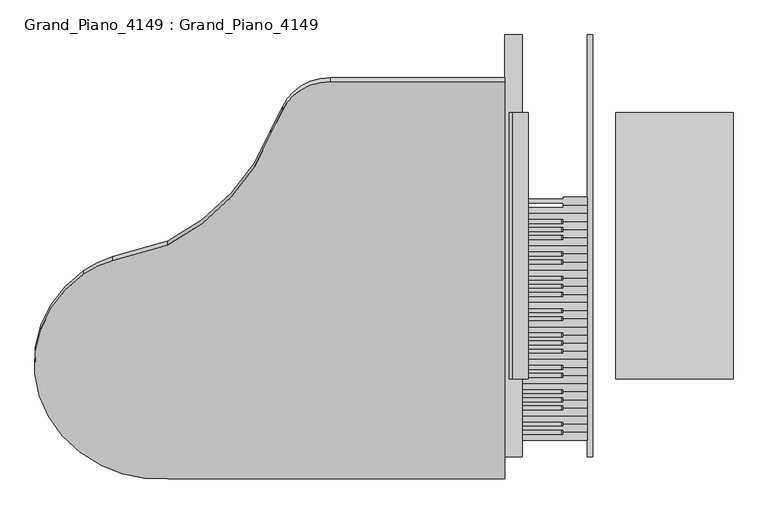
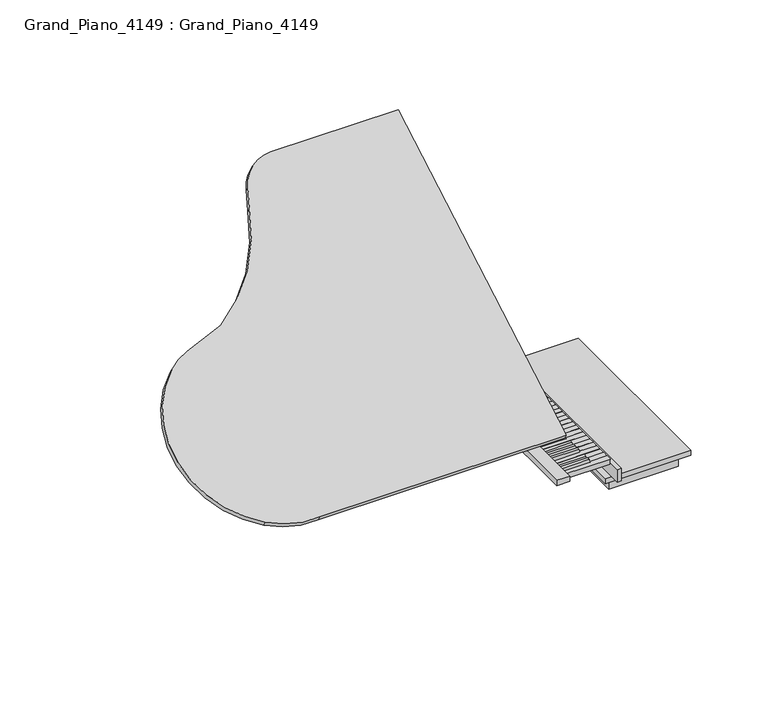
"""IFC4 building model written with IfcOpenShell, lengths in millimetres: proxy geometry, Grand_Piano_4149 : Grand_Piano_4149."""

from ifc_helpers import new_model, si_unit, point, frame, frame_2d, origin, place, context, project, spatial, polyline, circle_curve, trimmed, segment, composite_curve, outline, extrude, faceted_brep, source, transform, mapped, element, save


def grand_piano_4149_grand_piano_4149_3b8c50ab(model_context):
    return source(origin(), model_context, "Body", "SolidModel", [
        faceted_brep([(1813.5377179, 947.0963982, 740.9280142), (1673.9293037, 947.0963982, 740.9280142), (1673.9293037, 933.9689941, 740.9280142), (1813.5377179, 933.9689941, 740.9280142), (1813.5377179, 927.008417, 740.9280142), (1895.7364663, 927.008417, 740.9280142), (1896.667768, 927.9397187, 740.9280142), (1896.667768, 953.1256736, 740.9280142), (1895.7364663, 954.0569753, 740.9280142), (1813.5377179, 954.0569753, 740.9280142), (1813.5377179, 947.0963982, 715.5280142), (1813.5377179, 954.0569753, 715.5280142), (1893.9209225, 954.0569753, 715.5280142), (1893.9209225, 927.008417, 715.5280142), (1813.5377179, 927.008417, 715.5280142), (1813.5377179, 933.9689941, 715.5280142), (1673.9293037, 933.9689941, 715.5280142), (1673.9293037, 947.0963982, 715.5280142), (1893.9209225, 927.008417, 739.0575896), (1895.7364663, 927.008417, 739.0575896), (1896.667768, 927.9397187, 739.0575896), (1896.667768, 953.1256736, 739.0575896), (1895.7364663, 954.0569753, 739.0575896), (1893.9209225, 954.0569753, 739.0575896)], [[[0, 1, 2, 3, 4, 5, 6, 7, 8, 9]], [[10, 11, 12, 13, 14, 15, 16, 17]], [[1, 0, 10, 17]], [[2, 1, 17, 16]], [[3, 2, 16, 15]], [[4, 3, 15, 14]], [[5, 4, 14, 13, 18, 19]], [[6, 5, 19, 20]], [[7, 6, 20, 21]], [[8, 7, 21, 22]], [[9, 8, 22, 23, 12, 11]], [[0, 9, 11, 10]], [[23, 18, 13, 12]], [[18, 23, 22, 21, 20, 19]]]),
        faceted_brep([(1895.7364663, 899.1661086, 740.9280142), (1896.667768, 900.0974103, 740.9280142), (1896.667768, 925.2833653, 740.9280142), (1895.7364663, 926.214667, 740.9280142), (1813.5377179, 926.214667, 740.9280142), (1813.5377179, 919.2540899, 740.9280142), (1673.9293037, 919.2540899, 740.9280142), (1673.9293037, 899.1661086, 740.9280142), (1673.9293037, 899.1661086, 715.5280142), (1673.9293037, 919.2540899, 715.5280142), (1813.5377179, 919.2540899, 715.5280142), (1813.5377179, 926.214667, 715.5280142), (1893.9209225, 926.214667, 715.5280142), (1893.9209225, 899.1661086, 715.5280142), (1895.7364663, 899.1661086, 739.0575896), (1896.667768, 900.0974103, 739.0575896), (1896.667768, 925.2833653, 739.0575896), (1895.7364663, 926.214667, 739.0575896), (1893.9209225, 926.214667, 739.0575896), (1893.9209225, 899.1661086, 739.0575896)], [[[0, 1, 2, 3, 4, 5, 6, 7]], [[8, 9, 10, 11, 12, 13]], [[1, 0, 14, 15]], [[2, 1, 15, 16]], [[3, 2, 16, 17]], [[4, 3, 17, 18, 12, 11]], [[5, 4, 11, 10]], [[6, 5, 10, 9]], [[7, 6, 9, 8]], [[0, 7, 8, 13, 19, 14]], [[18, 19, 13, 12]], [[19, 18, 17, 16, 15, 14]]]),
        faceted_brep([(1895.7364663, 898.3723586, 740.9280142), (1673.9293037, 898.3723586, 740.9280142), (1673.9293037, 878.2843773, 740.9280142), (1813.5377179, 878.2843773, 740.9280142), (1813.5377179, 871.3238002, 740.9280142), (1895.7364663, 871.3238002, 740.9280142), (1896.667768, 872.2551019, 740.9280142), (1896.667768, 897.4410569, 740.9280142), (1813.5377179, 871.3238002, 715.5280142), (1813.5377179, 878.2843773, 715.5280142), (1673.9293037, 878.2843773, 715.5280142), (1673.9293037, 898.3723586, 715.5280142), (1893.9209225, 898.3723586, 715.5280142), (1893.9209225, 871.3238002, 715.5280142), (1895.7364663, 898.3723586, 739.0575896), (1893.9209225, 898.3723586, 739.0575896), (1893.9209225, 871.3238002, 739.0575896), (1895.7364663, 871.3238002, 739.0575896), (1896.667768, 872.2551019, 739.0575896), (1896.667768, 897.4410569, 739.0575896)], [[[0, 1, 2, 3, 4, 5, 6, 7]], [[8, 9, 10, 11, 12, 13]], [[1, 0, 14, 15, 12, 11]], [[2, 1, 11, 10]], [[3, 2, 10, 9]], [[4, 3, 9, 8]], [[5, 4, 8, 13, 16, 17]], [[6, 5, 17, 18]], [[7, 6, 18, 19]], [[0, 7, 19, 14]], [[15, 16, 13, 12]], [[16, 15, 14, 19, 18, 17]]]),
        faceted_brep([(1813.5377179, 850.4420689, 740.9280142), (1813.5377179, 843.4814918, 740.9280142), (1895.7364663, 843.4814918, 740.9280142), (1896.667768, 844.4127935, 740.9280142), (1896.667768, 869.5987485, 740.9280142), (1895.7364663, 870.5300502, 740.9280142), (1813.5377179, 870.5300502, 740.9280142), (1813.5377179, 863.5694731, 740.9280142), (1673.9293037, 863.5694731, 740.9280142), (1673.9293037, 850.4420689, 740.9280142), (1813.5377179, 850.4420689, 715.5280142), (1673.9293037, 850.4420689, 715.5280142), (1673.9293037, 863.5694731, 715.5280142), (1813.5377179, 863.5694731, 715.5280142), (1813.5377179, 870.5300502, 715.5280142), (1893.9209225, 870.5300502, 715.5280142), (1893.9209225, 843.4814918, 715.5280142), (1813.5377179, 843.4814918, 715.5280142), (1893.9209225, 843.4814918, 739.0575896), (1895.7364663, 843.4814918, 739.0575896), (1896.667768, 844.4127935, 739.0575896), (1896.667768, 869.5987485, 739.0575896), (1895.7364663, 870.5300502, 739.0575896), (1893.9209225, 870.5300502, 739.0575896)], [[[0, 1, 2, 3, 4, 5, 6, 7, 8, 9]], [[10, 11, 12, 13, 14, 15, 16, 17]], [[1, 0, 10, 17]], [[2, 1, 17, 16, 18, 19]], [[3, 2, 19, 20]], [[4, 3, 20, 21]], [[5, 4, 21, 22]], [[6, 5, 22, 23, 15, 14]], [[7, 6, 14, 13]], [[8, 7, 13, 12]], [[9, 8, 12, 11]], [[0, 9, 11, 10]], [[23, 18, 16, 15]], [[18, 23, 22, 21, 20, 19]]]),
        faceted_brep([(1813.5377179, 835.7271647, 740.9280142), (1673.9293037, 835.7271647, 740.9280142), (1673.9293037, 822.5997605, 740.9280142), (1813.5377179, 822.5997605, 740.9280142), (1813.5377179, 815.6391834, 740.9280142), (1895.7364663, 815.6391834, 740.9280142), (1896.667768, 816.5704851, 740.9280142), (1896.667768, 841.7564401, 740.9280142), (1895.7364663, 842.6877418, 740.9280142), (1813.5377179, 842.6877418, 740.9280142), (1813.5377179, 835.7271647, 715.5280142), (1813.5377179, 842.6877418, 715.5280142), (1893.9209225, 842.6877418, 715.5280142), (1893.9209225, 815.6391834, 715.5280142), (1813.5377179, 815.6391834, 715.5280142), (1813.5377179, 822.5997605, 715.5280142), (1673.9293037, 822.5997605, 715.5280142), (1673.9293037, 835.7271647, 715.5280142), (1893.9209225, 815.6391834, 739.0575896), (1895.7364663, 815.6391834, 739.0575896), (1896.667768, 816.5704851, 739.0575896), (1896.667768, 841.7564401, 739.0575896), (1895.7364663, 842.6877418, 739.0575896), (1893.9209225, 842.6877418, 739.0575896)], [[[0, 1, 2, 3, 4, 5, 6, 7, 8, 9]], [[10, 11, 12, 13, 14, 15, 16, 17]], [[1, 0, 10, 17]], [[2, 1, 17, 16]], [[3, 2, 16, 15]], [[4, 3, 15, 14]], [[5, 4, 14, 13, 18, 19]], [[6, 5, 19, 20]], [[7, 6, 20, 21]], [[8, 7, 21, 22]], [[9, 8, 22, 23, 12, 11]], [[0, 9, 11, 10]], [[23, 18, 13, 12]], [[18, 23, 22, 21, 20, 19]]]),
        faceted_brep([(1895.7364663, 787.003125, 740.9280142), (1673.9293037, 787.003125, 740.9280142), (1673.9293037, 766.9151437, 740.9280142), (1813.5377179, 766.9151437, 740.9280142), (1813.5377179, 759.9545666, 740.9280142), (1895.7364663, 759.9545666, 740.9280142), (1896.667768, 760.8858683, 740.9280142), (1896.667768, 786.0718233, 740.9280142), (1813.5377179, 759.9545666, 715.5280142), (1813.5377179, 766.9151437, 715.5280142), (1673.9293037, 766.9151437, 715.5280142), (1673.9293037, 787.003125, 715.5280142), (1893.9209225, 787.003125, 715.5280142), (1893.9209225, 759.9545666, 715.5280142), (1895.7364663, 787.003125, 739.0575896), (1893.9209225, 787.003125, 739.0575896), (1893.9209225, 759.9545666, 739.0575896), (1895.7364663, 759.9545666, 739.0575896), (1896.667768, 760.8858683, 739.0575896), (1896.667768, 786.0718233, 739.0575896)], [[[0, 1, 2, 3, 4, 5, 6, 7]], [[8, 9, 10, 11, 12, 13]], [[1, 0, 14, 15, 12, 11]], [[2, 1, 11, 10]], [[3, 2, 10, 9]], [[4, 3, 9, 8]], [[5, 4, 8, 13, 16, 17]], [[6, 5, 17, 18]], [[7, 6, 18, 19]], [[0, 7, 19, 14]], [[15, 16, 13, 12]], [[16, 15, 14, 19, 18, 17]]]),
        faceted_brep([(1895.7364663, 787.796875, 740.9280142), (1896.667768, 788.7281767, 740.9280142), (1896.667768, 813.9141317, 740.9280142), (1895.7364663, 814.8454334, 740.9280142), (1813.5377179, 814.8454334, 740.9280142), (1813.5377179, 807.8848563, 740.9280142), (1673.9293037, 807.8848563, 740.9280142), (1673.9293037, 787.796875, 740.9280142), (1673.9293037, 787.796875, 715.5280142), (1673.9293037, 807.8848563, 715.5280142), (1813.5377179, 807.8848563, 715.5280142), (1813.5377179, 814.8454334, 715.5280142), (1893.9209225, 814.8454334, 715.5280142), (1893.9209225, 787.796875, 715.5280142), (1895.7364663, 787.796875, 739.0575896), (1896.667768, 788.7281767, 739.0575896), (1896.667768, 813.9141317, 739.0575896), (1895.7364663, 814.8454334, 739.0575896), (1893.9209225, 814.8454334, 739.0575896), (1893.9209225, 787.796875, 739.0575896)], [[[0, 1, 2, 3, 4, 5, 6, 7]], [[8, 9, 10, 11, 12, 13]], [[1, 0, 14, 15]], [[2, 1, 15, 16]], [[3, 2, 16, 17]], [[4, 3, 17, 18, 12, 11]], [[5, 4, 11, 10]], [[6, 5, 10, 9]], [[7, 6, 9, 8]], [[0, 7, 8, 13, 19, 14]], [[18, 19, 13, 12]], [[19, 18, 17, 16, 15, 14]]]),
        extrude(outline(polyline([(715.5280142, 1673.9293037), (715.5280142, 1812.7439679), (740.9280142, 1812.7439679), (756.8030142, 1809.3696324), (756.8030142, 1673.9293037), (715.5280142, 1673.9293037)])), frame((0.0, 864.3632231, 0.0), z_axis=(0.0, 1.0, 0.0), x_axis=(0.0, 0.0, 1.0)), (0.0, 0.0, 1.0), 13.1274042),
        extrude(outline(polyline([(715.5280142, 1673.9293037), (715.5280142, 1812.7439679), (740.9280142, 1812.7439679), (756.8030142, 1809.3696324), (756.8030142, 1673.9293037), (715.5280142, 1673.9293037)])), frame((0.0, 836.5209147, 0.0), z_axis=(0.0, 1.0, 0.0), x_axis=(0.0, 0.0, 1.0)), (0.0, 0.0, 1.0), 13.1274042),
        extrude(outline(polyline([(715.5280142, 1673.9293037), (715.5280142, 1812.7439679), (740.9280142, 1812.7439679), (756.8030142, 1809.3696324), (756.8030142, 1673.9293037), (715.5280142, 1673.9293037)])), frame((0.0, 808.6786063, 0.0), z_axis=(0.0, 1.0, 0.0), x_axis=(0.0, 0.0, 1.0)), (0.0, 0.0, 1.0), 13.1274042),
        extrude(outline(polyline([(715.5280142, 1673.9293037), (715.5280142, 1812.7439679), (740.9280142, 1812.7439679), (756.8030142, 1809.3696324), (756.8030142, 1673.9293037), (715.5280142, 1673.9293037)])), frame((0.0, 725.1516811, 0.0), z_axis=(0.0, 1.0, 0.0), x_axis=(0.0, 0.0, 1.0)), (0.0, 0.0, 1.0), 13.1274042),
        extrude(outline(polyline([(715.5280142, 1673.9293037), (715.5280142, 1812.7439679), (740.9280142, 1812.7439679), (756.8030142, 1809.3696324), (756.8030142, 1673.9293037), (715.5280142, 1673.9293037)])), frame((0.0, 752.9939895, 0.0), z_axis=(0.0, 1.0, 0.0), x_axis=(0.0, 0.0, 1.0)), (0.0, 0.0, 1.0), 13.1274042),
        faceted_brep([(1813.5377179, 752.2002395, 740.9280142), (1673.9293037, 752.2002395, 740.9280142), (1673.9293037, 739.0728353, 740.9280142), (1813.5377179, 739.0728353, 740.9280142), (1813.5377179, 732.1122582, 740.9280142), (1895.7364663, 732.1122582, 740.9280142), (1896.667768, 733.0435599, 740.9280142), (1896.667768, 758.2295149, 740.9280142), (1895.7364663, 759.1608166, 740.9280142), (1813.5377179, 759.1608166, 740.9280142), (1813.5377179, 752.2002395, 715.5280142), (1813.5377179, 759.1608166, 715.5280142), (1893.9209225, 759.1608166, 715.5280142), (1893.9209225, 732.1122582, 715.5280142), (1813.5377179, 732.1122582, 715.5280142), (1813.5377179, 739.0728353, 715.5280142), (1673.9293037, 739.0728353, 715.5280142), (1673.9293037, 752.2002395, 715.5280142), (1893.9209225, 732.1122582, 739.0575896), (1895.7364663, 732.1122582, 739.0575896), (1896.667768, 733.0435599, 739.0575896), (1896.667768, 758.2295149, 739.0575896), (1895.7364663, 759.1608166, 739.0575896), (1893.9209225, 759.1608166, 739.0575896)], [[[0, 1, 2, 3, 4, 5, 6, 7, 8, 9]], [[10, 11, 12, 13, 14, 15, 16, 17]], [[1, 0, 10, 17]], [[2, 1, 17, 16]], [[3, 2, 16, 15]], [[4, 3, 15, 14]], [[5, 4, 14, 13, 18, 19]], [[6, 5, 19, 20]], [[7, 6, 20, 21]], [[8, 7, 21, 22]], [[9, 8, 22, 23, 12, 11]], [[0, 9, 11, 10]], [[23, 18, 13, 12]], [[18, 23, 22, 21, 20, 19]]]),
        faceted_brep([(1895.7364663, 704.2699498, 740.9280142), (1896.667768, 705.2012515, 740.9280142), (1896.667768, 730.3872065, 740.9280142), (1895.7364663, 731.3185082, 740.9280142), (1813.5377179, 731.3185082, 740.9280142), (1813.5377179, 724.3579311, 740.9280142), (1673.9293037, 724.3579311, 740.9280142), (1673.9293037, 704.2699498, 740.9280142), (1673.9293037, 704.2699498, 715.5280142), (1673.9293037, 724.3579311, 715.5280142), (1813.5377179, 724.3579311, 715.5280142), (1813.5377179, 731.3185082, 715.5280142), (1893.9209225, 731.3185082, 715.5280142), (1893.9209225, 704.2699498, 715.5280142), (1895.7364663, 704.2699498, 739.0575896), (1896.667768, 705.2012515, 739.0575896), (1896.667768, 730.3872065, 739.0575896), (1895.7364663, 731.3185082, 739.0575896), (1893.9209225, 731.3185082, 739.0575896), (1893.9209225, 704.2699498, 739.0575896)], [[[0, 1, 2, 3, 4, 5, 6, 7]], [[8, 9, 10, 11, 12, 13]], [[1, 0, 14, 15]], [[2, 1, 15, 16]], [[3, 2, 16, 17]], [[4, 3, 17, 18, 12, 11]], [[5, 4, 11, 10]], [[6, 5, 10, 9]], [[7, 6, 9, 8]], [[0, 7, 8, 13, 19, 14]], [[18, 19, 13, 12]], [[19, 18, 17, 16, 15, 14]]]),
        faceted_brep([(1895.7364663, 703.4761998, 740.9280142), (1673.9293037, 703.4761998, 740.9280142), (1673.9293037, 683.3882185, 740.9280142), (1813.5377179, 683.3882185, 740.9280142), (1813.5377179, 676.4276414, 740.9280142), (1895.7364663, 676.4276414, 740.9280142), (1896.667768, 677.3589431, 740.9280142), (1896.667768, 702.5448981, 740.9280142), (1813.5377179, 676.4276414, 715.5280142), (1813.5377179, 683.3882185, 715.5280142), (1673.9293037, 683.3882185, 715.5280142), (1673.9293037, 703.4761998, 715.5280142), (1893.9209225, 703.4761998, 715.5280142), (1893.9209225, 676.4276414, 715.5280142), (1895.7364663, 703.4761998, 739.0575896), (1893.9209225, 703.4761998, 739.0575896), (1893.9209225, 676.4276414, 739.0575896), (1895.7364663, 676.4276414, 739.0575896), (1896.667768, 677.3589431, 739.0575896), (1896.667768, 702.5448981, 739.0575896)], [[[0, 1, 2, 3, 4, 5, 6, 7]], [[8, 9, 10, 11, 12, 13]], [[1, 0, 14, 15, 12, 11]], [[2, 1, 11, 10]], [[3, 2, 10, 9]], [[4, 3, 9, 8]], [[5, 4, 8, 13, 16, 17]], [[6, 5, 17, 18]], [[7, 6, 18, 19]], [[0, 7, 19, 14]], [[15, 16, 13, 12]], [[16, 15, 14, 19, 18, 17]]]),
        faceted_brep([(1813.5377179, 655.5459101, 740.9280142), (1813.5377179, 648.585333, 740.9280142), (1895.7364663, 648.585333, 740.9280142), (1896.667768, 649.5166347, 740.9280142), (1896.667768, 674.7025897, 740.9280142), (1895.7364663, 675.6338914, 740.9280142), (1813.5377179, 675.6338914, 740.9280142), (1813.5377179, 668.6733143, 740.9280142), (1673.9293037, 668.6733143, 740.9280142), (1673.9293037, 655.5459101, 740.9280142), (1813.5377179, 655.5459101, 715.5280142), (1673.9293037, 655.5459101, 715.5280142), (1673.9293037, 668.6733143, 715.5280142), (1813.5377179, 668.6733143, 715.5280142), (1813.5377179, 675.6338914, 715.5280142), (1893.9209225, 675.6338914, 715.5280142), (1893.9209225, 648.585333, 715.5280142), (1813.5377179, 648.585333, 715.5280142), (1893.9209225, 648.585333, 739.0575896), (1895.7364663, 648.585333, 739.0575896), (1896.667768, 649.5166347, 739.0575896), (1896.667768, 674.7025897, 739.0575896), (1895.7364663, 675.6338914, 739.0575896), (1893.9209225, 675.6338914, 739.0575896)], [[[0, 1, 2, 3, 4, 5, 6, 7, 8, 9]], [[10, 11, 12, 13, 14, 15, 16, 17]], [[1, 0, 10, 17]], [[2, 1, 17, 16, 18, 19]], [[3, 2, 19, 20]], [[4, 3, 20, 21]], [[5, 4, 21, 22]], [[6, 5, 22, 23, 15, 14]], [[7, 6, 14, 13]], [[8, 7, 13, 12]], [[9, 8, 12, 11]], [[0, 9, 11, 10]], [[23, 18, 16, 15]], [[18, 23, 22, 21, 20, 19]]]),
        faceted_brep([(1813.5377179, 640.8310059, 740.9280142), (1673.9293037, 640.8310059, 740.9280142), (1673.9293037, 627.7036018, 740.9280142), (1813.5377179, 627.7036018, 740.9280142), (1813.5377179, 620.7430247, 740.9280142), (1895.7364663, 620.7430247, 740.9280142), (1896.667768, 621.6743264, 740.9280142), (1896.667768, 646.8602813, 740.9280142), (1895.7364663, 647.791583, 740.9280142), (1813.5377179, 647.791583, 740.9280142), (1813.5377179, 640.8310059, 715.5280142), (1813.5377179, 647.791583, 715.5280142), (1893.9209225, 647.791583, 715.5280142), (1893.9209225, 620.7430247, 715.5280142), (1813.5377179, 620.7430247, 715.5280142), (1813.5377179, 627.7036018, 715.5280142), (1673.9293037, 627.7036018, 715.5280142), (1673.9293037, 640.8310059, 715.5280142), (1893.9209225, 620.7430247, 739.0575896), (1895.7364663, 620.7430247, 739.0575896), (1896.667768, 621.6743264, 739.0575896), (1896.667768, 646.8602813, 739.0575896), (1895.7364663, 647.791583, 739.0575896), (1893.9209225, 647.791583, 739.0575896)], [[[0, 1, 2, 3, 4, 5, 6, 7, 8, 9]], [[10, 11, 12, 13, 14, 15, 16, 17]], [[1, 0, 10, 17]], [[2, 1, 17, 16]], [[3, 2, 16, 15]], [[4, 3, 15, 14]], [[5, 4, 14, 13, 18, 19]], [[6, 5, 19, 20]], [[7, 6, 20, 21]], [[8, 7, 21, 22]], [[9, 8, 22, 23, 12, 11]], [[0, 9, 11, 10]], [[23, 18, 13, 12]], [[18, 23, 22, 21, 20, 19]]]),
        faceted_brep([(1895.7364663, 592.1069663, 740.9280142), (1673.9293037, 592.1069663, 740.9280142), (1673.9293037, 572.018985, 740.9280142), (1813.5377179, 572.018985, 740.9280142), (1813.5377179, 565.0584079, 740.9280142), (1895.7364663, 565.0584079, 740.9280142), (1896.667768, 565.9897096, 740.9280142), (1896.667768, 591.1756646, 740.9280142), (1813.5377179, 565.0584079, 715.5280142), (1813.5377179, 572.018985, 715.5280142), (1673.9293037, 572.018985, 715.5280142), (1673.9293037, 592.1069663, 715.5280142), (1893.9209225, 592.1069663, 715.5280142), (1893.9209225, 565.0584079, 715.5280142), (1895.7364663, 592.1069663, 739.0575896), (1893.9209225, 592.1069663, 739.0575896), (1893.9209225, 565.0584079, 739.0575896), (1895.7364663, 565.0584079, 739.0575896), (1896.667768, 565.9897096, 739.0575896), (1896.667768, 591.1756646, 739.0575896)], [[[0, 1, 2, 3, 4, 5, 6, 7]], [[8, 9, 10, 11, 12, 13]], [[1, 0, 14, 15, 12, 11]], [[2, 1, 11, 10]], [[3, 2, 10, 9]], [[4, 3, 9, 8]], [[5, 4, 8, 13, 16, 17]], [[6, 5, 17, 18]], [[7, 6, 18, 19]], [[0, 7, 19, 14]], [[15, 16, 13, 12]], [[16, 15, 14, 19, 18, 17]]]),
        faceted_brep([(1895.7364663, 592.9007163, 740.9280142), (1896.667768, 593.832018, 740.9280142), (1896.667768, 619.017973, 740.9280142), (1895.7364663, 619.9492747, 740.9280142), (1813.5377179, 619.9492747, 740.9280142), (1813.5377179, 612.9886976, 740.9280142), (1673.9293037, 612.9886976, 740.9280142), (1673.9293037, 592.9007163, 740.9280142), (1673.9293037, 592.9007163, 715.5280142), (1673.9293037, 612.9886976, 715.5280142), (1813.5377179, 612.9886976, 715.5280142), (1813.5377179, 619.9492747, 715.5280142), (1893.9209225, 619.9492747, 715.5280142), (1893.9209225, 592.9007163, 715.5280142), (1895.7364663, 592.9007163, 739.0575896), (1896.667768, 593.832018, 739.0575896), (1896.667768, 619.017973, 739.0575896), (1895.7364663, 619.9492747, 739.0575896), (1893.9209225, 619.9492747, 739.0575896), (1893.9209225, 592.9007163, 739.0575896)], [[[0, 1, 2, 3, 4, 5, 6, 7]], [[8, 9, 10, 11, 12, 13]], [[1, 0, 14, 15]], [[2, 1, 15, 16]], [[3, 2, 16, 17]], [[4, 3, 17, 18, 12, 11]], [[5, 4, 11, 10]], [[6, 5, 10, 9]], [[7, 6, 9, 8]], [[0, 7, 8, 13, 19, 14]], [[18, 19, 13, 12]], [[19, 18, 17, 16, 15, 14]]]),
        extrude(outline(polyline([(715.5280142, 1673.9293037), (715.5280142, 1812.7439679), (740.9280142, 1812.7439679), (756.8030142, 1809.3696324), (756.8030142, 1673.9293037), (715.5280142, 1673.9293037)])), frame((0.0, 669.4670643, 0.0), z_axis=(0.0, 1.0, 0.0), x_axis=(0.0, 0.0, 1.0)), (0.0, 0.0, 1.0), 13.1274042),
        extrude(outline(polyline([(715.5280142, 1673.9293037), (715.5280142, 1812.7439679), (740.9280142, 1812.7439679), (756.8030142, 1809.3696324), (756.8030142, 1673.9293037), (715.5280142, 1673.9293037)])), frame((0.0, 641.6247559, 0.0), z_axis=(0.0, 1.0, 0.0), x_axis=(0.0, 0.0, 1.0)), (0.0, 0.0, 1.0), 13.1274042),
        extrude(outline(polyline([(715.5280142, 1673.9293037), (715.5280142, 1812.7439679), (740.9280142, 1812.7439679), (756.8030142, 1809.3696324), (756.8030142, 1673.9293037), (715.5280142, 1673.9293037)])), frame((0.0, 613.7824476, 0.0), z_axis=(0.0, 1.0, 0.0), x_axis=(0.0, 0.0, 1.0)), (0.0, 0.0, 1.0), 13.1274042),
        extrude(outline(polyline([(715.5280142, 1673.9293037), (715.5280142, 1812.7439679), (740.9280142, 1812.7439679), (756.8030142, 1809.3696324), (756.8030142, 1673.9293037), (715.5280142, 1673.9293037)])), frame((0.0, 530.2555224, 0.0), z_axis=(0.0, 1.0, 0.0), x_axis=(0.0, 0.0, 1.0)), (0.0, 0.0, 1.0), 13.1274042),
        extrude(outline(polyline([(715.5280142, 1673.9293037), (715.5280142, 1812.7439679), (740.9280142, 1812.7439679), (756.8030142, 1809.3696324), (756.8030142, 1673.9293037), (715.5280142, 1673.9293037)])), frame((0.0, 558.0978308, 0.0), z_axis=(0.0, 1.0, 0.0), x_axis=(0.0, 0.0, 1.0)), (0.0, 0.0, 1.0), 13.1274042),
        faceted_brep([(1813.5377179, 557.3040808, 740.9280142), (1673.9293037, 557.3040808, 740.9280142), (1673.9293037, 544.1766766, 740.9280142), (1813.5377179, 544.1766766, 740.9280142), (1813.5377179, 537.2160995, 740.9280142), (1895.7364663, 537.2160995, 740.9280142), (1896.667768, 538.1474012, 740.9280142), (1896.667768, 563.3333562, 740.9280142), (1895.7364663, 564.2646579, 740.9280142), (1813.5377179, 564.2646579, 740.9280142), (1813.5377179, 557.3040808, 715.5280142), (1813.5377179, 564.2646579, 715.5280142), (1893.9209225, 564.2646579, 715.5280142), (1893.9209225, 537.2160995, 715.5280142), (1813.5377179, 537.2160995, 715.5280142), (1813.5377179, 544.1766766, 715.5280142), (1673.9293037, 544.1766766, 715.5280142), (1673.9293037, 557.3040808, 715.5280142), (1893.9209225, 537.2160995, 739.0575896), (1895.7364663, 537.2160995, 739.0575896), (1896.667768, 538.1474012, 739.0575896), (1896.667768, 563.3333562, 739.0575896), (1895.7364663, 564.2646579, 739.0575896), (1893.9209225, 564.2646579, 739.0575896)], [[[0, 1, 2, 3, 4, 5, 6, 7, 8, 9]], [[10, 11, 12, 13, 14, 15, 16, 17]], [[1, 0, 10, 17]], [[2, 1, 17, 16]], [[3, 2, 16, 15]], [[4, 3, 15, 14]], [[5, 4, 14, 13, 18, 19]], [[6, 5, 19, 20]], [[7, 6, 20, 21]], [[8, 7, 21, 22]], [[9, 8, 22, 23, 12, 11]], [[0, 9, 11, 10]], [[23, 18, 13, 12]], [[18, 23, 22, 21, 20, 19]]]),
        faceted_brep([(1895.7364663, 509.3737911, 740.9280142), (1896.667768, 510.3050928, 740.9280142), (1896.667768, 535.4910478, 740.9280142), (1895.7364663, 536.4223495, 740.9280142), (1813.5377179, 536.4223495, 740.9280142), (1813.5377179, 529.4617724, 740.9280142), (1673.9293037, 529.4617724, 740.9280142), (1673.9293037, 509.3737911, 740.9280142), (1673.9293037, 509.3737911, 715.5280142), (1673.9293037, 529.4617724, 715.5280142), (1813.5377179, 529.4617724, 715.5280142), (1813.5377179, 536.4223495, 715.5280142), (1893.9209225, 536.4223495, 715.5280142), (1893.9209225, 509.3737911, 715.5280142), (1895.7364663, 509.3737911, 739.0575896), (1896.667768, 510.3050928, 739.0575896), (1896.667768, 535.4910478, 739.0575896), (1895.7364663, 536.4223495, 739.0575896), (1893.9209225, 536.4223495, 739.0575896), (1893.9209225, 509.3737911, 739.0575896)], [[[0, 1, 2, 3, 4, 5, 6, 7]], [[8, 9, 10, 11, 12, 13]], [[1, 0, 14, 15]], [[2, 1, 15, 16]], [[3, 2, 16, 17]], [[4, 3, 17, 18, 12, 11]], [[5, 4, 11, 10]], [[6, 5, 10, 9]], [[7, 6, 9, 8]], [[0, 7, 8, 13, 19, 14]], [[18, 19, 13, 12]], [[19, 18, 17, 16, 15, 14]]]),
        faceted_brep([(1895.7364663, 508.5800411, 740.9280142), (1673.9293037, 508.5800411, 740.9280142), (1673.9293037, 488.4920598, 740.9280142), (1813.5377179, 488.4920598, 740.9280142), (1813.5377179, 481.5314827, 740.9280142), (1895.7364663, 481.5314827, 740.9280142), (1896.667768, 482.4627844, 740.9280142), (1896.667768, 507.6487394, 740.9280142), (1813.5377179, 481.5314827, 715.5280142), (1813.5377179, 488.4920598, 715.5280142), (1673.9293037, 488.4920598, 715.5280142), (1673.9293037, 508.5800411, 715.5280142), (1893.9209225, 508.5800411, 715.5280142), (1893.9209225, 481.5314827, 715.5280142), (1895.7364663, 508.5800411, 739.0575896), (1893.9209225, 508.5800411, 739.0575896), (1893.9209225, 481.5314827, 739.0575896), (1895.7364663, 481.5314827, 739.0575896), (1896.667768, 482.4627844, 739.0575896), (1896.667768, 507.6487394, 739.0575896)], [[[0, 1, 2, 3, 4, 5, 6, 7]], [[8, 9, 10, 11, 12, 13]], [[1, 0, 14, 15, 12, 11]], [[2, 1, 11, 10]], [[3, 2, 10, 9]], [[4, 3, 9, 8]], [[5, 4, 8, 13, 16, 17]], [[6, 5, 17, 18]], [[7, 6, 18, 19]], [[0, 7, 19, 14]], [[15, 16, 13, 12]], [[16, 15, 14, 19, 18, 17]]]),
        faceted_brep([(1813.5377179, 460.6497514, 740.9280142), (1813.5377179, 453.6891743, 740.9280142), (1895.7364663, 453.6891743, 740.9280142), (1896.667768, 454.620476, 740.9280142), (1896.667768, 479.806431, 740.9280142), (1895.7364663, 480.7377327, 740.9280142), (1813.5377179, 480.7377327, 740.9280142), (1813.5377179, 473.7771556, 740.9280142), (1673.9293037, 473.7771556, 740.9280142), (1673.9293037, 460.6497514, 740.9280142), (1813.5377179, 460.6497514, 715.5280142), (1673.9293037, 460.6497514, 715.5280142), (1673.9293037, 473.7771556, 715.5280142), (1813.5377179, 473.7771556, 715.5280142), (1813.5377179, 480.7377327, 715.5280142), (1893.9209225, 480.7377327, 715.5280142), (1893.9209225, 453.6891743, 715.5280142), (1813.5377179, 453.6891743, 715.5280142), (1893.9209225, 453.6891743, 739.0575896), (1895.7364663, 453.6891743, 739.0575896), (1896.667768, 454.620476, 739.0575896), (1896.667768, 479.806431, 739.0575896), (1895.7364663, 480.7377327, 739.0575896), (1893.9209225, 480.7377327, 739.0575896)], [[[0, 1, 2, 3, 4, 5, 6, 7, 8, 9]], [[10, 11, 12, 13, 14, 15, 16, 17]], [[1, 0, 10, 17]], [[2, 1, 17, 16, 18, 19]], [[3, 2, 19, 20]], [[4, 3, 20, 21]], [[5, 4, 21, 22]], [[6, 5, 22, 23, 15, 14]], [[7, 6, 14, 13]], [[8, 7, 13, 12]], [[9, 8, 12, 11]], [[0, 9, 11, 10]], [[23, 18, 16, 15]], [[18, 23, 22, 21, 20, 19]]]),
        faceted_brep([(1813.5377179, 445.9348472, 740.9280142), (1673.9293037, 445.9348472, 740.9280142), (1673.9293037, 432.807443, 740.9280142), (1813.5377179, 432.807443, 740.9280142), (1813.5377179, 425.8468659, 740.9280142), (1895.7364663, 425.8468659, 740.9280142), (1896.667768, 426.7781676, 740.9280142), (1896.667768, 451.9641226, 740.9280142), (1895.7364663, 452.8954243, 740.9280142), (1813.5377179, 452.8954243, 740.9280142), (1813.5377179, 445.9348472, 715.5280142), (1813.5377179, 452.8954243, 715.5280142), (1893.9209225, 452.8954243, 715.5280142), (1893.9209225, 425.8468659, 715.5280142), (1813.5377179, 425.8468659, 715.5280142), (1813.5377179, 432.807443, 715.5280142), (1673.9293037, 432.807443, 715.5280142), (1673.9293037, 445.9348472, 715.5280142), (1893.9209225, 425.8468659, 739.0575896), (1895.7364663, 425.8468659, 739.0575896), (1896.667768, 426.7781676, 739.0575896), (1896.667768, 451.9641226, 739.0575896), (1895.7364663, 452.8954243, 739.0575896), (1893.9209225, 452.8954243, 739.0575896)], [[[0, 1, 2, 3, 4, 5, 6, 7, 8, 9]], [[10, 11, 12, 13, 14, 15, 16, 17]], [[1, 0, 10, 17]], [[2, 1, 17, 16]], [[3, 2, 16, 15]], [[4, 3, 15, 14]], [[5, 4, 14, 13, 18, 19]], [[6, 5, 19, 20]], [[7, 6, 20, 21]], [[8, 7, 21, 22]], [[9, 8, 22, 23, 12, 11]], [[0, 9, 11, 10]], [[23, 18, 13, 12]], [[18, 23, 22, 21, 20, 19]]]),
        faceted_brep([(1895.7364663, 397.2108075, 740.9280142), (1673.9293037, 397.2108075, 740.9280142), (1673.9293037, 377.1228262, 740.9280142), (1813.5377179, 377.1228262, 740.9280142), (1813.5377179, 370.1622491, 740.9280142), (1895.7364663, 370.1622491, 740.9280142), (1896.667768, 371.0935508, 740.9280142), (1896.667768, 396.2795058, 740.9280142), (1813.5377179, 370.1622491, 715.5280142), (1813.5377179, 377.1228262, 715.5280142), (1673.9293037, 377.1228262, 715.5280142), (1673.9293037, 397.2108075, 715.5280142), (1893.9209225, 397.2108075, 715.5280142), (1893.9209225, 370.1622491, 715.5280142), (1895.7364663, 397.2108075, 739.0575896), (1893.9209225, 397.2108075, 739.0575896), (1893.9209225, 370.1622491, 739.0575896), (1895.7364663, 370.1622491, 739.0575896), (1896.667768, 371.0935508, 739.0575896), (1896.667768, 396.2795058, 739.0575896)], [[[0, 1, 2, 3, 4, 5, 6, 7]], [[8, 9, 10, 11, 12, 13]], [[1, 0, 14, 15, 12, 11]], [[2, 1, 11, 10]], [[3, 2, 10, 9]], [[4, 3, 9, 8]], [[5, 4, 8, 13, 16, 17]], [[6, 5, 17, 18]], [[7, 6, 18, 19]], [[0, 7, 19, 14]], [[15, 16, 13, 12]], [[16, 15, 14, 19, 18, 17]]]),
        faceted_brep([(1895.7364663, 398.0045575, 740.9280142), (1896.667768, 398.9358592, 740.9280142), (1896.667768, 424.1218142, 740.9280142), (1895.7364663, 425.0531159, 740.9280142), (1813.5377179, 425.0531159, 740.9280142), (1813.5377179, 418.0925388, 740.9280142), (1673.9293037, 418.0925388, 740.9280142), (1673.9293037, 398.0045575, 740.9280142), (1673.9293037, 398.0045575, 715.5280142), (1673.9293037, 418.0925388, 715.5280142), (1813.5377179, 418.0925388, 715.5280142), (1813.5377179, 425.0531159, 715.5280142), (1893.9209225, 425.0531159, 715.5280142), (1893.9209225, 398.0045575, 715.5280142), (1895.7364663, 398.0045575, 739.0575896), (1896.667768, 398.9358592, 739.0575896), (1896.667768, 424.1218142, 739.0575896), (1895.7364663, 425.0531159, 739.0575896), (1893.9209225, 425.0531159, 739.0575896), (1893.9209225, 398.0045575, 739.0575896)], [[[0, 1, 2, 3, 4, 5, 6, 7]], [[8, 9, 10, 11, 12, 13]], [[1, 0, 14, 15]], [[2, 1, 15, 16]], [[3, 2, 16, 17]], [[4, 3, 17, 18, 12, 11]], [[5, 4, 11, 10]], [[6, 5, 10, 9]], [[7, 6, 9, 8]], [[0, 7, 8, 13, 19, 14]], [[18, 19, 13, 12]], [[19, 18, 17, 16, 15, 14]]]),
        extrude(outline(polyline([(715.5280142, 1673.9293037), (715.5280142, 1812.7439679), (740.9280142, 1812.7439679), (756.8030142, 1809.3696324), (756.8030142, 1673.9293037), (715.5280142, 1673.9293037)])), frame((0.0, 474.5709056, 0.0), z_axis=(0.0, 1.0, 0.0), x_axis=(0.0, 0.0, 1.0)), (0.0, 0.0, 1.0), 13.1274042),
        extrude(outline(polyline([(715.5280142, 1673.9293037), (715.5280142, 1812.7439679), (740.9280142, 1812.7439679), (756.8030142, 1809.3696324), (756.8030142, 1673.9293037), (715.5280142, 1673.9293037)])), frame((0.0, 446.7285972, 0.0), z_axis=(0.0, 1.0, 0.0), x_axis=(0.0, 0.0, 1.0)), (0.0, 0.0, 1.0), 13.1274042),
        extrude(outline(polyline([(715.5280142, 1673.9293037), (715.5280142, 1812.7439679), (740.9280142, 1812.7439679), (756.8030142, 1809.3696324), (756.8030142, 1673.9293037), (715.5280142, 1673.9293037)])), frame((0.0, 418.8862888, 0.0), z_axis=(0.0, 1.0, 0.0), x_axis=(0.0, 0.0, 1.0)), (0.0, 0.0, 1.0), 13.1274042),
        extrude(outline(polyline([(715.5280142, 1673.9293037), (715.5280142, 1812.7439679), (740.9280142, 1812.7439679), (756.8030142, 1809.3696324), (756.8030142, 1673.9293037), (715.5280142, 1673.9293037)])), frame((0.0, 335.3593636, 0.0), z_axis=(0.0, 1.0, 0.0), x_axis=(0.0, 0.0, 1.0)), (0.0, 0.0, 1.0), 13.1274042),
        extrude(outline(polyline([(715.5280142, 1673.9293037), (715.5280142, 1812.7439679), (740.9280142, 1812.7439679), (756.8030142, 1809.3696324), (756.8030142, 1673.9293037), (715.5280142, 1673.9293037)])), frame((0.0, 363.201672, 0.0), z_axis=(0.0, 1.0, 0.0), x_axis=(0.0, 0.0, 1.0)), (0.0, 0.0, 1.0), 13.1274042),
        faceted_brep([(1813.5377179, 362.407922, 740.9280142), (1673.9293037, 362.407922, 740.9280142), (1673.9293037, 349.2805178, 740.9280142), (1813.5377179, 349.2805178, 740.9280142), (1813.5377179, 342.3199407, 740.9280142), (1895.7364663, 342.3199407, 740.9280142), (1896.667768, 343.2512424, 740.9280142), (1896.667768, 368.4371974, 740.9280142), (1895.7364663, 369.3684991, 740.9280142), (1813.5377179, 369.3684991, 740.9280142), (1813.5377179, 362.407922, 715.5280142), (1813.5377179, 369.3684991, 715.5280142), (1893.9209225, 369.3684991, 715.5280142), (1893.9209225, 342.3199407, 715.5280142), (1813.5377179, 342.3199407, 715.5280142), (1813.5377179, 349.2805178, 715.5280142), (1673.9293037, 349.2805178, 715.5280142), (1673.9293037, 362.407922, 715.5280142), (1893.9209225, 342.3199407, 739.0575896), (1895.7364663, 342.3199407, 739.0575896), (1896.667768, 343.2512424, 739.0575896), (1896.667768, 368.4371974, 739.0575896), (1895.7364663, 369.3684991, 739.0575896), (1893.9209225, 369.3684991, 739.0575896)], [[[0, 1, 2, 3, 4, 5, 6, 7, 8, 9]], [[10, 11, 12, 13, 14, 15, 16, 17]], [[1, 0, 10, 17]], [[2, 1, 17, 16]], [[3, 2, 16, 15]], [[4, 3, 15, 14]], [[5, 4, 14, 13, 18, 19]], [[6, 5, 19, 20]], [[7, 6, 20, 21]], [[8, 7, 21, 22]], [[9, 8, 22, 23, 12, 11]], [[0, 9, 11, 10]], [[23, 18, 13, 12]], [[18, 23, 22, 21, 20, 19]]]),
        faceted_brep([(1895.7364663, 314.4776324, 740.9280142), (1896.667768, 315.4089341, 740.9280142), (1896.667768, 340.594889, 740.9280142), (1895.7364663, 341.5261907, 740.9280142), (1813.5377179, 341.5261907, 740.9280142), (1813.5377179, 334.5656136, 740.9280142), (1673.9293037, 334.5656136, 740.9280142), (1673.9293037, 314.4776324, 740.9280142), (1673.9293037, 314.4776324, 715.5280142), (1673.9293037, 334.5656136, 715.5280142), (1813.5377179, 334.5656136, 715.5280142), (1813.5377179, 341.5261907, 715.5280142), (1893.9209225, 341.5261907, 715.5280142), (1893.9209225, 314.4776324, 715.5280142), (1895.7364663, 314.4776324, 739.0575896), (1896.667768, 315.4089341, 739.0575896), (1896.667768, 340.594889, 739.0575896), (1895.7364663, 341.5261907, 739.0575896), (1893.9209225, 341.5261907, 739.0575896), (1893.9209225, 314.4776324, 739.0575896)], [[[0, 1, 2, 3, 4, 5, 6, 7]], [[8, 9, 10, 11, 12, 13]], [[1, 0, 14, 15]], [[2, 1, 15, 16]], [[3, 2, 16, 17]], [[4, 3, 17, 18, 12, 11]], [[5, 4, 11, 10]], [[6, 5, 10, 9]], [[7, 6, 9, 8]], [[0, 7, 8, 13, 19, 14]], [[18, 19, 13, 12]], [[19, 18, 17, 16, 15, 14]]]),
        faceted_brep([(1895.7364663, 313.6838824, 740.9280142), (1673.9293037, 313.6838824, 740.9280142), (1673.9293037, 293.5959011, 740.9280142), (1813.5377179, 293.5959011, 740.9280142), (1813.5377179, 286.635324, 740.9280142), (1895.7364663, 286.635324, 740.9280142), (1896.667768, 287.5666257, 740.9280142), (1896.667768, 312.7525807, 740.9280142), (1813.5377179, 286.635324, 715.5280142), (1813.5377179, 293.5959011, 715.5280142), (1673.9293037, 293.5959011, 715.5280142), (1673.9293037, 313.6838824, 715.5280142), (1893.9209225, 313.6838824, 715.5280142), (1893.9209225, 286.635324, 715.5280142), (1895.7364663, 313.6838824, 739.0575896), (1893.9209225, 313.6838824, 739.0575896), (1893.9209225, 286.635324, 739.0575896), (1895.7364663, 286.635324, 739.0575896), (1896.667768, 287.5666257, 739.0575896), (1896.667768, 312.7525807, 739.0575896)], [[[0, 1, 2, 3, 4, 5, 6, 7]], [[8, 9, 10, 11, 12, 13]], [[1, 0, 14, 15, 12, 11]], [[2, 1, 11, 10]], [[3, 2, 10, 9]], [[4, 3, 9, 8]], [[5, 4, 8, 13, 16, 17]], [[6, 5, 17, 18]], [[7, 6, 18, 19]], [[0, 7, 19, 14]], [[15, 16, 13, 12]], [[16, 15, 14, 19, 18, 17]]]),
        faceted_brep([(1813.5377179, 265.7535927, 740.9280142), (1813.5377179, 258.7930156, 740.9280142), (1895.7364663, 258.7930156, 740.9280142), (1896.667768, 259.7243173, 740.9280142), (1896.667768, 284.9102723, 740.9280142), (1895.7364663, 285.841574, 740.9280142), (1813.5377179, 285.841574, 740.9280142), (1813.5377179, 278.8809969, 740.9280142), (1673.9293037, 278.8809969, 740.9280142), (1673.9293037, 265.7535927, 740.9280142), (1813.5377179, 265.7535927, 715.5280142), (1673.9293037, 265.7535927, 715.5280142), (1673.9293037, 278.8809969, 715.5280142), (1813.5377179, 278.8809969, 715.5280142), (1813.5377179, 285.841574, 715.5280142), (1893.9209225, 285.841574, 715.5280142), (1893.9209225, 258.7930156, 715.5280142), (1813.5377179, 258.7930156, 715.5280142), (1893.9209225, 258.7930156, 739.0575896), (1895.7364663, 258.7930156, 739.0575896), (1896.667768, 259.7243173, 739.0575896), (1896.667768, 284.9102723, 739.0575896), (1895.7364663, 285.841574, 739.0575896), (1893.9209225, 285.841574, 739.0575896)], [[[0, 1, 2, 3, 4, 5, 6, 7, 8, 9]], [[10, 11, 12, 13, 14, 15, 16, 17]], [[1, 0, 10, 17]], [[2, 1, 17, 16, 18, 19]], [[3, 2, 19, 20]], [[4, 3, 20, 21]], [[5, 4, 21, 22]], [[6, 5, 22, 23, 15, 14]], [[7, 6, 14, 13]], [[8, 7, 13, 12]], [[9, 8, 12, 11]], [[0, 9, 11, 10]], [[23, 18, 16, 15]], [[18, 23, 22, 21, 20, 19]]]),
        faceted_brep([(1813.5377179, 251.0386885, 740.9280142), (1673.9293037, 251.0386885, 740.9280142), (1673.9293037, 237.9112843, 740.9280142), (1813.5377179, 237.9112843, 740.9280142), (1813.5377179, 230.9507072, 740.9280142), (1895.7364663, 230.9507072, 740.9280142), (1896.667768, 231.8820089, 740.9280142), (1896.667768, 257.0679639, 740.9280142), (1895.7364663, 257.9992656, 740.9280142), (1813.5377179, 257.9992656, 740.9280142), (1813.5377179, 251.0386885, 715.5280142), (1813.5377179, 257.9992656, 715.5280142), (1893.9209225, 257.9992656, 715.5280142), (1893.9209225, 230.9507072, 715.5280142), (1813.5377179, 230.9507072, 715.5280142), (1813.5377179, 237.9112843, 715.5280142), (1673.9293037, 237.9112843, 715.5280142), (1673.9293037, 251.0386885, 715.5280142), (1893.9209225, 230.9507072, 739.0575896), (1895.7364663, 230.9507072, 739.0575896), (1896.667768, 231.8820089, 739.0575896), (1896.667768, 257.0679639, 739.0575896), (1895.7364663, 257.9992656, 739.0575896), (1893.9209225, 257.9992656, 739.0575896)], [[[0, 1, 2, 3, 4, 5, 6, 7, 8, 9]], [[10, 11, 12, 13, 14, 15, 16, 17]], [[1, 0, 10, 17]], [[2, 1, 17, 16]], [[3, 2, 16, 15]], [[4, 3, 15, 14]], [[5, 4, 14, 13, 18, 19]], [[6, 5, 19, 20]], [[7, 6, 20, 21]], [[8, 7, 21, 22]], [[9, 8, 22, 23, 12, 11]], [[0, 9, 11, 10]], [[23, 18, 13, 12]], [[18, 23, 22, 21, 20, 19]]]),
        faceted_brep([(1895.7364663, 202.3146488, 740.9280142), (1673.9293037, 202.3146488, 740.9280142), (1673.9293037, 182.2266675, 740.9280142), (1813.5377179, 182.2266675, 740.9280142), (1813.5377179, 175.2660904, 740.9280142), (1895.7364663, 175.2660904, 740.9280142), (1896.667768, 176.1973921, 740.9280142), (1896.667768, 201.3833471, 740.9280142), (1813.5377179, 175.2660904, 715.5280142), (1813.5377179, 182.2266675, 715.5280142), (1673.9293037, 182.2266675, 715.5280142), (1673.9293037, 202.3146488, 715.5280142), (1893.9209225, 202.3146488, 715.5280142), (1893.9209225, 175.2660904, 715.5280142), (1895.7364663, 202.3146488, 739.0575896), (1893.9209225, 202.3146488, 739.0575896), (1893.9209225, 175.2660904, 739.0575896), (1895.7364663, 175.2660904, 739.0575896), (1896.667768, 176.1973921, 739.0575896), (1896.667768, 201.3833471, 739.0575896)], [[[0, 1, 2, 3, 4, 5, 6, 7]], [[8, 9, 10, 11, 12, 13]], [[1, 0, 14, 15, 12, 11]], [[2, 1, 11, 10]], [[3, 2, 10, 9]], [[4, 3, 9, 8]], [[5, 4, 8, 13, 16, 17]], [[6, 5, 17, 18]], [[7, 6, 18, 19]], [[0, 7, 19, 14]], [[15, 16, 13, 12]], [[16, 15, 14, 19, 18, 17]]]),
        faceted_brep([(1895.7364663, 203.1083988, 740.9280142), (1896.667768, 204.0397005, 740.9280142), (1896.667768, 229.2256555, 740.9280142), (1895.7364663, 230.1569572, 740.9280142), (1813.5377179, 230.1569572, 740.9280142), (1813.5377179, 223.1963801, 740.9280142), (1673.9293037, 223.1963801, 740.9280142), (1673.9293037, 203.1083988, 740.9280142), (1673.9293037, 203.1083988, 715.5280142), (1673.9293037, 223.1963801, 715.5280142), (1813.5377179, 223.1963801, 715.5280142), (1813.5377179, 230.1569572, 715.5280142), (1893.9209225, 230.1569572, 715.5280142), (1893.9209225, 203.1083988, 715.5280142), (1895.7364663, 203.1083988, 739.0575896), (1896.667768, 204.0397005, 739.0575896), (1896.667768, 229.2256555, 739.0575896), (1895.7364663, 230.1569572, 739.0575896), (1893.9209225, 230.1569572, 739.0575896), (1893.9209225, 203.1083988, 739.0575896)], [[[0, 1, 2, 3, 4, 5, 6, 7]], [[8, 9, 10, 11, 12, 13]], [[1, 0, 14, 15]], [[2, 1, 15, 16]], [[3, 2, 16, 17]], [[4, 3, 17, 18, 12, 11]], [[5, 4, 11, 10]], [[6, 5, 10, 9]], [[7, 6, 9, 8]], [[0, 7, 8, 13, 19, 14]], [[18, 19, 13, 12]], [[19, 18, 17, 16, 15, 14]]]),
        faceted_brep([(1895.7364663, 119.5814736, 740.9280142), (1896.667768, 120.5127753, 740.9280142), (1896.667768, 145.6987303, 740.9280142), (1895.7364663, 146.630032, 740.9280142), (1813.5377179, 146.630032, 740.9280142), (1813.5377179, 139.6694549, 740.9280142), (1673.9293037, 139.6694549, 740.9280142), (1673.9293037, 119.5814736, 740.9280142), (1673.9293037, 119.5814736, 715.5280142), (1673.9293037, 139.6694549, 715.5280142), (1813.5377179, 139.6694549, 715.5280142), (1813.5377179, 146.630032, 715.5280142), (1893.9209225, 146.630032, 715.5280142), (1893.9209225, 119.5814736, 715.5280142), (1895.7364663, 119.5814736, 739.0575896), (1896.667768, 120.5127753, 739.0575896), (1896.667768, 145.6987303, 739.0575896), (1895.7364663, 146.630032, 739.0575896), (1893.9209225, 146.630032, 739.0575896), (1893.9209225, 119.5814736, 739.0575896)], [[[0, 1, 2, 3, 4, 5, 6, 7]], [[8, 9, 10, 11, 12, 13]], [[1, 0, 14, 15]], [[2, 1, 15, 16]], [[3, 2, 16, 17]], [[4, 3, 17, 18, 12, 11]], [[5, 4, 11, 10]], [[6, 5, 10, 9]], [[7, 6, 9, 8]], [[0, 7, 8, 13, 19, 14]], [[18, 19, 13, 12]], [[19, 18, 17, 16, 15, 14]]]),
        extrude(outline(polyline([(715.5280142, 1673.9293037), (715.5280142, 1812.7439679), (740.9280142, 1812.7439679), (756.8030142, 1809.3696324), (756.8030142, 1673.9293037), (715.5280142, 1673.9293037)])), frame((0.0, 140.4632049, 0.0), z_axis=(0.0, 1.0, 0.0), x_axis=(0.0, 0.0, 1.0)), (0.0, 0.0, 1.0), 13.1274042),
        extrude(outline(polyline([(715.5280142, 1673.9293037), (715.5280142, 1812.7439679), (740.9280142, 1812.7439679), (756.8030142, 1809.3696324), (756.8030142, 1673.9293037), (715.5280142, 1673.9293037)])), frame((0.0, 279.6747469, 0.0), z_axis=(0.0, 1.0, 0.0), x_axis=(0.0, 0.0, 1.0)), (0.0, 0.0, 1.0), 13.1274042),
        extrude(outline(polyline([(715.5280142, 1673.9293037), (715.5280142, 1812.7439679), (740.9280142, 1812.7439679), (756.8030142, 1809.3696324), (756.8030142, 1673.9293037), (715.5280142, 1673.9293037)])), frame((0.0, 251.8324385, 0.0), z_axis=(0.0, 1.0, 0.0), x_axis=(0.0, 0.0, 1.0)), (0.0, 0.0, 1.0), 13.1274042),
        extrude(outline(polyline([(715.5280142, 1673.9293037), (715.5280142, 1812.7439679), (740.9280142, 1812.7439679), (756.8030142, 1809.3696324), (756.8030142, 1673.9293037), (715.5280142, 1673.9293037)])), frame((0.0, 223.9901301, 0.0), z_axis=(0.0, 1.0, 0.0), x_axis=(0.0, 0.0, 1.0)), (0.0, 0.0, 1.0), 13.1274042),
        extrude(outline(polyline([(715.5280142, 1673.9293037), (715.5280142, 1812.7439679), (740.9280142, 1812.7439679), (756.8030142, 1809.3696324), (756.8030142, 1673.9293037), (715.5280142, 1673.9293037)])), frame((0.0, 168.3055133, 0.0), z_axis=(0.0, 1.0, 0.0), x_axis=(0.0, 0.0, 1.0)), (0.0, 0.0, 1.0), 13.1274042),
        faceted_brep([(1813.5377179, 167.5117633, 740.9280142), (1673.9293037, 167.5117633, 740.9280142), (1673.9293037, 154.3843591, 740.9280142), (1813.5377179, 154.3843591, 740.9280142), (1813.5377179, 147.423782, 740.9280142), (1895.7364663, 147.423782, 740.9280142), (1896.667768, 148.3550837, 740.9280142), (1896.667768, 173.5410387, 740.9280142), (1895.7364663, 174.4723404, 740.9280142), (1813.5377179, 174.4723404, 740.9280142), (1813.5377179, 167.5117633, 715.5280142), (1813.5377179, 174.4723404, 715.5280142), (1893.9209225, 174.4723404, 715.5280142), (1893.9209225, 147.423782, 715.5280142), (1813.5377179, 147.423782, 715.5280142), (1813.5377179, 154.3843591, 715.5280142), (1673.9293037, 154.3843591, 715.5280142), (1673.9293037, 167.5117633, 715.5280142), (1893.9209225, 147.423782, 739.0575896), (1895.7364663, 147.423782, 739.0575896), (1896.667768, 148.3550837, 739.0575896), (1896.667768, 173.5410387, 739.0575896), (1895.7364663, 174.4723404, 739.0575896), (1893.9209225, 174.4723404, 739.0575896)], [[[0, 1, 2, 3, 4, 5, 6, 7, 8, 9]], [[10, 11, 12, 13, 14, 15, 16, 17]], [[1, 0, 10, 17]], [[2, 1, 17, 16]], [[3, 2, 16, 15]], [[4, 3, 15, 14]], [[5, 4, 14, 13, 18, 19]], [[6, 5, 19, 20]], [[7, 6, 20, 21]], [[8, 7, 21, 22]], [[9, 8, 22, 23, 12, 11]], [[0, 9, 11, 10]], [[23, 18, 13, 12]], [[18, 23, 22, 21, 20, 19]]]),
        extrude(outline(polyline([(2032.0, 368.2999516), (2032.0, 1206.5), (2358.3285141, 1206.5), (2358.3285141, 368.2999516), (2032.0, 368.2999516)])), frame((0.0, 0.0, 393.7), z_axis=(0.0, 0.0, 1.0), x_axis=(1.0, 0.0, 0.0)), (0.0, 0.0, 1.0), 63.5),
        extrude(outline(polyline([(2396.4285141, 1244.6), (2396.4285141, 330.1999516), (1993.9, 330.1999516), (1993.9, 1244.6), (2396.4285141, 1244.6)])), frame((0.0, 0.0, 457.2), z_axis=(0.0, 0.0, 1.0), x_axis=(1.0, 0.0, 0.0)), (0.0, 0.0, 1.0), 25.4),
        extrude(outline(polyline([(768.3499031, 1694.6003346), (952.5, 1638.3), (949.6674946, 1629.0352923), (768.3499031, 1684.4696431), (768.3499031, 1694.6003346)])), frame((0.0, 330.2000242, 0.0), z_axis=(0.0, 1.0, 0.0), x_axis=(0.0, 0.0, 1.0)), (0.0, 0.0, 1.0), 914.3999758),
        extrude(outline(polyline([(1915.717768, 63.4999818), (1896.667768, 63.4999818), (1896.667768, 1511.3), (1915.717768, 1511.3), (1915.717768, 63.4999818)])), frame((0.0, 0.0, 660.3999516), z_axis=(0.0, 0.0, 1.0), x_axis=(1.0, 0.0, 0.0)), (0.0, 0.0, 1.0), 62.6061259),
        extrude(outline(composite_curve([segment(trimmed(circle_curve(frame_2d((-62.7766342, -354.4746845)), 464.3250872), [point((337.2733839, -590.1816415))], [point((-421.20509, -649.647225))], False, "CARTESIAN"), True, "CONTINUOUS"), segment(trimmed(circle_curve(frame_2d((-185.9195189, -455.8851544)), 304.8), [point((-421.20509, -649.647225))], [point((-475.9219194, -549.7022516))], False, "CARTESIAN"), True, "CONTINUOUS"), segment(polyline([(-475.9219194, -549.7022516), (-536.7797934, -361.5816415)]), True, "CONTINUOUS"), segment(trimmed(circle_curve(frame_2d((-1231.1779721, -773.9668648)), 807.6202095), [point((-536.7797934, -361.5816415))], [point((-981.2797934, -5.9816415))], True, "CARTESIAN"), True, "CONTINUOUS"), segment(trimmed(circle_curve(frame_2d((-1447.0449097, -970.0002462)), 1070.6395349), [point((-981.2797934, -5.9816415))], [point((-1070.1797934, 32.1183585))], True, "CARTESIAN"), True, "CONTINUOUS"), segment(trimmed(circle_curve(frame_2d((-1008.0909046, 197.2183585)), 176.3888889), [point((-1070.1797934, 32.1183585))], [point((-1184.4797934, 197.2183585))], False, "CARTESIAN"), True, "CONTINUOUS"), segment(polyline([(-1184.4797934, 197.2183585), (-1184.4797934, 794.1183585), (390.3202066, 794.1183585), (390.3202066, -361.5815984)]), True, "CONTINUOUS"), segment(trimmed(circle_curve(frame_2d((0.0, -391.462283)), 391.462283), [point((390.3202066, -361.5815984))], [point((337.2733839, -590.1816415))], False, "CARTESIAN"), True, "CONTINUOUS")], self_intersect=False)), frame((818.7816415, 338.0272145, 1211.1601033), z_axis=(0.0, -0.4999999999999994, 0.866025403784439), x_axis=(0.0, -0.866025403784439, -0.4999999999999994)), (0.0, 0.0, 1.0), 25.4),
        extrude(outline(polyline([(1612.9, 63.4999818), (1612.9, 1511.3000182), (1673.9293037, 1511.3000182), (1673.9293037, 63.4999818), (1612.9, 63.4999818)])), frame((0.0, 0.0, 742.9499031), z_axis=(0.0, 0.0, 1.0), x_axis=(1.0, 0.0, 0.0)), (0.0, 0.0, 1.0), 25.4),
    ])


if __name__ == "__main__":
    model = new_model("IFC4")
    model_context = context("Model", 3, world=origin())
    ifc_project = project(units=[si_unit("LENGTHUNIT", "METRE", prefix="MILLI")], contexts=[model_context])
    site = spatial("IfcSite", under=ifc_project)
    building = spatial("IfcBuilding", under=site)
    placement = place(None, origin())
    grand_piano_4149_grand_piano_4149_shape = grand_piano_4149_grand_piano_4149_3b8c50ab(model_context)
    element("IfcBuildingElementProxy", 1, Name="Grand_Piano_4149 : Grand_Piano_4149", ObjectType="Grand_Piano_4149 : Grand_Piano_4149", at=placement, inside=building, context=model_context, shape_type="MappedRepresentation", body=[
        mapped(grand_piano_4149_grand_piano_4149_shape, transform((0.0, 0.0, 0.0), x_axis=(1.0, 0.0, 0.0), y_axis=(0.0, 1.0, 0.0), z_axis=(0.0, 0.0, 1.0))),
    ])
    save(model, "model.ifc")
